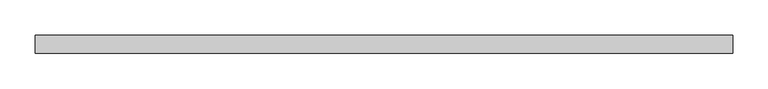
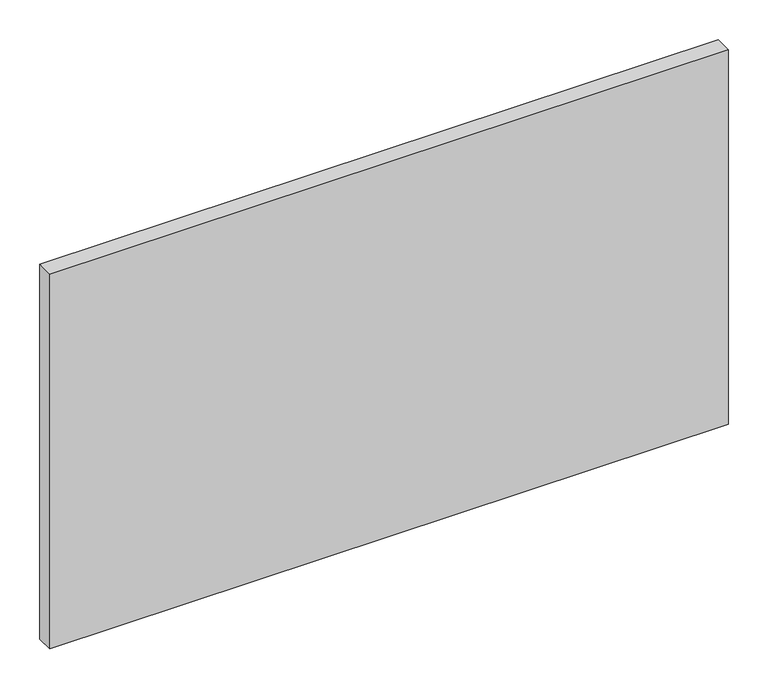
"""IFC4 building model written with IfcOpenShell, lengths in millimetres: plate geometry."""

from ifc_helpers import new_model, si_unit, origin, origin_with_axes, place, context, project, spatial, polyline, outline, extrude, source, transform, mapped, element, save


def plate_29bcbcb2(model_context):
    return source(origin(), model_context, "Body", "SweptSolid", [
        extrude(outline(polyline([(492.5, -12.5), (-492.5, -12.5), (-492.5, 12.5), (492.5, 12.5), (492.5, -12.5)])), origin_with_axes(), (0.0, 0.0, 1.0), 575.0),
    ])


if __name__ == "__main__":
    model = new_model("IFC4")
    model_context = context("Model", 3, world=origin())
    ifc_project = project(units=[si_unit("LENGTHUNIT", "METRE", prefix="MILLI")], contexts=[model_context])
    site = spatial("IfcSite", under=ifc_project)
    building = spatial("IfcBuilding", under=site)
    placement = place(None, origin())
    plate_shape = plate_29bcbcb2(model_context)
    element("IfcPlate", 1, at=placement, inside=building, context=model_context, shape_type="MappedRepresentation", body=[
        mapped(plate_shape, transform((0.0, 0.0, 0.0), x_axis=(1.0, 0.0, 0.0), y_axis=(0.0, 1.0, 0.0), z_axis=(0.0, 0.0, 1.0))),
    ])
    save(model, "model.ifc")
